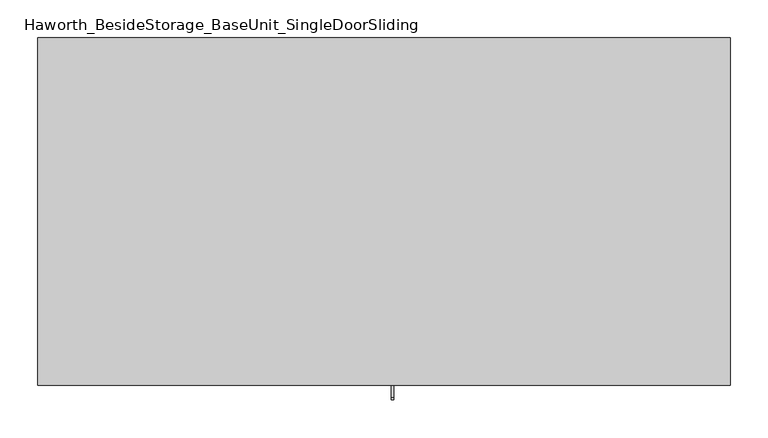
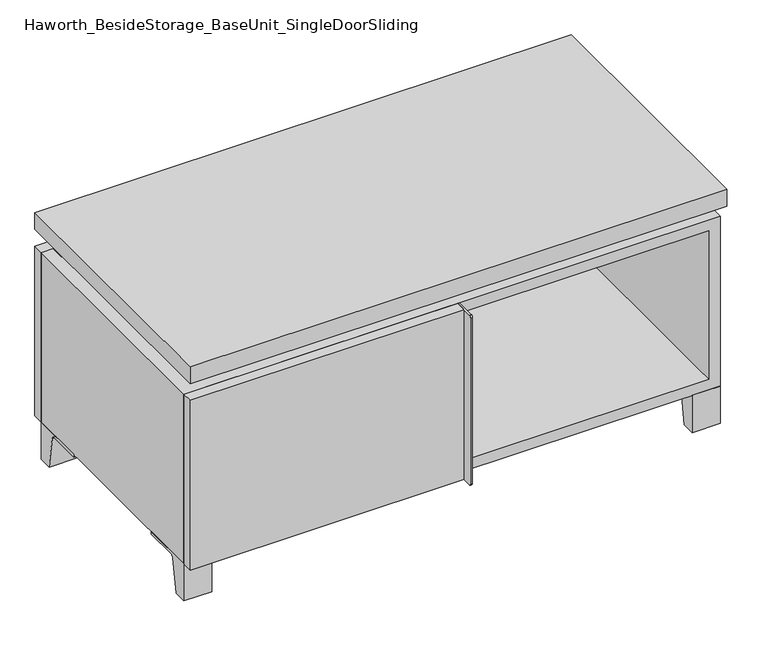
"""IFC4 building model written with IfcOpenShell, lengths in millimetres: furniture geometry, Haworth_BesideStorage_BaseUnit_SingleDoorSliding."""

from ifc_helpers import new_model, si_unit, point, frame, frame_2d, origin, place, context, project, spatial, polyline, circle_curve, trimmed, segment, composite_curve, outline, extrude, faceted_brep, source, transform, mapped, element, save


def haworth_besidestorage_baseunit_singledoorsliding_d4cc5338(model_context):
    return source(origin(), model_context, "Body", "SolidModel", [
        extrude(outline(composite_curve([segment(polyline([(-123.2958469, 0.0), (-146.05, 0.0), (-146.05, 66.675), (-50.8, 66.675), (-50.8, 61.8963321), (-107.6005345, 61.8963321)]), True, "CONTINUOUS"), segment(trimmed(circle_curve(frame_2d((-107.6005345, 55.5463321)), 6.35), [point((-107.6005345, 61.8963321))], [point((-113.8641359, 56.5902656))], True, "CARTESIAN"), True, "CONTINUOUS"), segment(polyline([(-113.8641359, 56.5902656), (-123.2958469, 0.0)]), True, "CONTINUOUS")], self_intersect=False)), frame((408.0013906, 0.0, 0.0), z_axis=(1.0, 0.0, 0.0), x_axis=(0.0, 1.0, 0.0)), (0.0, 0.0, 1.0), 47.625),
        extrude(outline(composite_curve([segment(polyline([(250.2958469, 0.0), (240.8641359, 56.5902656)]), True, "CONTINUOUS"), segment(trimmed(circle_curve(frame_2d((234.6005345, 55.5463321)), 6.35), [point((240.8641359, 56.5902656))], [point((234.6005345, 61.8963321))], True, "CARTESIAN"), True, "CONTINUOUS"), segment(polyline([(234.6005345, 61.8963321), (177.8, 61.8963321), (177.8, 66.675), (273.05, 66.675), (273.05, 0.0), (250.2958469, 0.0)]), True, "CONTINUOUS")], self_intersect=False)), frame((408.0013906, 0.0, 0.0), z_axis=(1.0, 0.0, 0.0), x_axis=(0.0, 1.0, 0.0)), (0.0, 0.0, 1.0), 47.625),
        extrude(outline(composite_curve([segment(polyline([(-123.2958469, 0.0), (-146.05, 0.0), (-146.05, 66.675), (-50.8, 66.675), (-50.8, 61.8963321), (-107.6005345, 61.8963321)]), True, "CONTINUOUS"), segment(trimmed(circle_curve(frame_2d((-107.6005345, 55.5463321)), 6.35), [point((-107.6005345, 61.8963321))], [point((-113.8641359, 56.5902656))], True, "CARTESIAN"), True, "CONTINUOUS"), segment(polyline([(-113.8641359, 56.5902656), (-123.2958469, 0.0)]), True, "CONTINUOUS")], self_intersect=False)), frame((-455.5986094, 0.0, 0.0), z_axis=(1.0, 0.0, 0.0), x_axis=(0.0, 1.0, 0.0)), (0.0, 0.0, 1.0), 47.625),
        extrude(outline(composite_curve([segment(polyline([(250.2958469, 0.0), (240.8641359, 56.5902656)]), True, "CONTINUOUS"), segment(trimmed(circle_curve(frame_2d((234.6005345, 55.5463321)), 6.35), [point((240.8641359, 56.5902656))], [point((234.6005345, 61.8963321))], True, "CARTESIAN"), True, "CONTINUOUS"), segment(polyline([(234.6005345, 61.8963321), (177.8, 61.8963321), (177.8, 66.675), (273.05, 66.675), (273.05, 0.0), (250.2958469, 0.0)]), True, "CONTINUOUS")], self_intersect=False)), frame((-455.5986094, 0.0, 0.0), z_axis=(1.0, 0.0, 0.0), x_axis=(0.0, 1.0, 0.0)), (0.0, 0.0, 1.0), 47.625),
        faceted_brep([(-455.5986094, -146.05, 66.675), (455.6125, -146.05, 66.675), (455.6125, -146.05, 371.475), (-455.5986094, -146.05, 371.475), (-436.5486094, -146.05, 85.725), (-436.5486094, -146.05, 352.425), (436.5694453, -146.05, 352.425), (436.5486094, -146.05, 85.725), (-455.5986094, 273.05, 66.675), (-455.5986094, 273.05, 371.475), (-436.5486094, 273.05, 371.475), (-436.5486094, 273.05, 85.725), (436.5486094, 273.05, 85.725), (436.5486094, 273.05, 371.475), (455.6125, 273.05, 371.475), (455.6125, 273.05, 66.675), (436.5486094, 247.65, 371.475), (-436.5416641, 247.65, 371.475), (-436.5486094, 247.65, 352.425), (436.5486094, 247.65, 352.425)], [[[0, 1, 2, 3], [4, 5, 6, 7]], [[8, 9, 10, 11, 12, 13, 14, 15]], [[1, 0, 8, 15]], [[2, 1, 15, 14]], [[3, 2, 14, 13, 16, 17, 10, 9]], [[0, 3, 9, 8]], [[11, 10, 17, 18, 5, 4]], [[13, 12, 7, 6, 19, 16]], [[4, 7, 12, 11]], [[6, 5, 18, 19]], [[17, 16, 19, 18]]]),
        extrude(outline(polyline([(455.6263906, -165.1), (-455.5986094, -165.1), (-455.5986094, 292.1), (455.6263906, 292.1), (455.6263906, -165.1)])), frame((0.0, 0.0, 401.6375), z_axis=(0.0, 0.0, 1.0), x_axis=(1.0, 0.0, 0.0)), (0.0, 0.0, 1.0), 30.1625),
        faceted_brep([(7.9513906, -69.85, 401.6375), (7.9513906, -69.85, 371.475), (7.9513906, 53.975, 371.475), (7.9513906, 53.975, 401.6375), (7.9513906, 196.85, 371.475), (7.9513906, 196.85, 401.6375), (7.9513906, 73.025, 401.6375), (7.9513906, 73.025, 371.475), (-7.9236094, 196.85, 401.6375), (-7.9236094, 196.85, 371.475), (-7.9236094, 73.025, 371.475), (-7.9236094, 73.025, 401.6375), (-7.9236094, -69.85, 371.475), (-7.9236094, -69.85, 401.6375), (-7.9236094, 53.975, 401.6375), (-7.9236094, 53.975, 371.475), (-414.2958281, 73.025, 401.6375), (-414.3166641, 247.65, 401.6375), (-430.1916641, 247.65, 401.6375), (-430.1916641, -120.65, 401.6375), (-414.3166641, -120.65, 401.6375), (-414.3166641, 53.975, 401.6375), (414.3236094, 53.975, 401.6375), (414.3236094, -120.65, 401.6375), (430.1986094, -120.65, 401.6375), (430.1986094, 247.65, 401.6375), (414.3236094, 247.65, 401.6375), (414.3236094, 73.025, 401.6375), (-414.2958281, 53.975, 371.475), (-414.3166641, -120.65, 371.475), (-430.1916641, -120.65, 371.475), (-430.1916641, 247.65, 371.475), (-414.3166641, 247.65, 371.475), (-414.3166641, 73.025, 371.475), (414.3236094, 73.025, 371.475), (414.3236094, 247.65, 371.475), (430.1986094, 247.65, 371.475), (430.1986094, -120.65, 371.475), (414.3236094, -120.65, 371.475), (414.3236094, 53.975, 371.475)], [[[0, 1, 2, 3]], [[4, 5, 6, 7]], [[8, 9, 10, 11]], [[12, 13, 14, 15]], [[5, 8, 11, 16, 17, 18, 19, 20, 21, 14, 13, 0, 3, 22, 23, 24, 25, 26, 27, 6]], [[1, 12, 15, 28, 29, 30, 31, 32, 33, 10, 9, 4, 7, 34, 35, 36, 37, 38, 39, 2]], [[5, 4, 9, 8]], [[1, 0, 13, 12]], [[6, 27, 34, 7]], [[22, 3, 2, 39]], [[20, 29, 28, 21]], [[32, 17, 16, 33]], [[18, 31, 30, 19]], [[29, 20, 19, 30]], [[17, 32, 31, 18]], [[26, 35, 34, 27]], [[38, 23, 22, 39]], [[25, 24, 37, 36]], [[23, 38, 37, 24]], [[35, 26, 25, 36]], [[16, 11, 10, 33]], [[14, 21, 28, 15]]]),
        extrude(outline(polyline([(9.5388906, 203.2), (9.5388906, -146.05), (-9.5111094, -146.05), (-9.5111094, 203.2), (9.5388906, 203.2)])), frame((0.0, 0.0, 85.725), z_axis=(0.0, 0.0, 1.0), x_axis=(1.0, 0.0, 0.0)), (0.0, 0.0, 1.0), 266.7),
        extrude(outline(polyline([(455.6263906, 273.05), (-455.5986094, 273.05), (-455.5986094, 292.1), (455.6263906, 292.1), (455.6263906, 273.05)])), frame((0.0, 0.0, 66.675), z_axis=(0.0, 0.0, 1.0), x_axis=(1.0, 0.0, 0.0)), (0.0, 0.0, 1.0), 304.8),
        extrude(outline(polyline([(-436.5416641, 203.2), (-436.5416641, 209.55), (436.5694453, 209.55), (436.5694453, 203.2), (-436.5416641, 203.2)])), frame((0.0, 0.0, 85.725), z_axis=(0.0, 0.0, 1.0), x_axis=(1.0, 0.0, 0.0)), (0.0, 0.0, 1.0), 266.7),
        extrude(outline(composite_curve([segment(polyline([(-146.05, 371.475), (-146.05, 66.675), (-180.975, 66.675)]), True, "CONTINUOUS"), segment(trimmed(circle_curve(frame_2d((-180.975, 69.85)), 3.175), [point((-180.975, 66.675))], [point((-184.15, 69.85))], False, "CARTESIAN"), True, "CONTINUOUS"), segment(polyline([(-184.15, 69.85), (-184.15, 368.3)]), True, "CONTINUOUS"), segment(trimmed(circle_curve(frame_2d((-180.975, 368.3)), 3.175), [point((-184.15, 368.3))], [point((-180.975, 371.475))], False, "CARTESIAN"), True, "CONTINUOUS"), segment(polyline([(-180.975, 371.475), (-146.05, 371.475)]), True, "CONTINUOUS")], self_intersect=False)), frame((9.5388906, 0.0, 0.0), z_axis=(1.0, 0.0, 0.0), x_axis=(0.0, 1.0, 0.0)), (0.0, 0.0, 1.0), 3.175),
        extrude(outline(polyline([(-455.5986094, -146.05), (9.5388906, -146.05), (9.5388906, -165.1), (-455.5986094, -165.1), (-455.5986094, -146.05)])), frame((0.0, 0.0, 66.675), z_axis=(0.0, 0.0, 1.0), x_axis=(1.0, 0.0, 0.0)), (0.0, 0.0, 1.0), 304.8),
    ])


if __name__ == "__main__":
    model = new_model("IFC4")
    model_context = context("Model", 3, world=origin())
    ifc_project = project(units=[si_unit("LENGTHUNIT", "METRE", prefix="MILLI")], contexts=[model_context])
    site = spatial("IfcSite", under=ifc_project)
    building = spatial("IfcBuilding", under=site)
    placement = place(None, origin())
    haworth_besidestorage_baseunit_singledoorsliding_shape = haworth_besidestorage_baseunit_singledoorsliding_d4cc5338(model_context)
    element("IfcFurniture", 1, ObjectType="Haworth_BesideStorage_BaseUnit_SingleDoorSliding", at=placement, inside=building, context=model_context, shape_type="MappedRepresentation", body=[
        mapped(haworth_besidestorage_baseunit_singledoorsliding_shape, transform((0.0, 0.0, 0.0), x_axis=(1.0, 0.0, 0.0), y_axis=(0.0, 1.0, 0.0), z_axis=(0.0, 0.0, 1.0))),
    ])
    save(model, "model.ifc")
